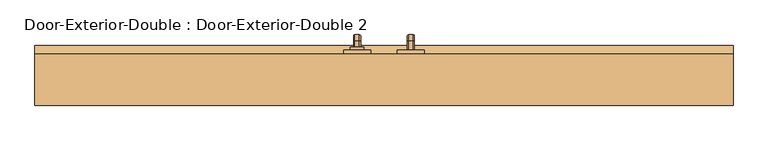
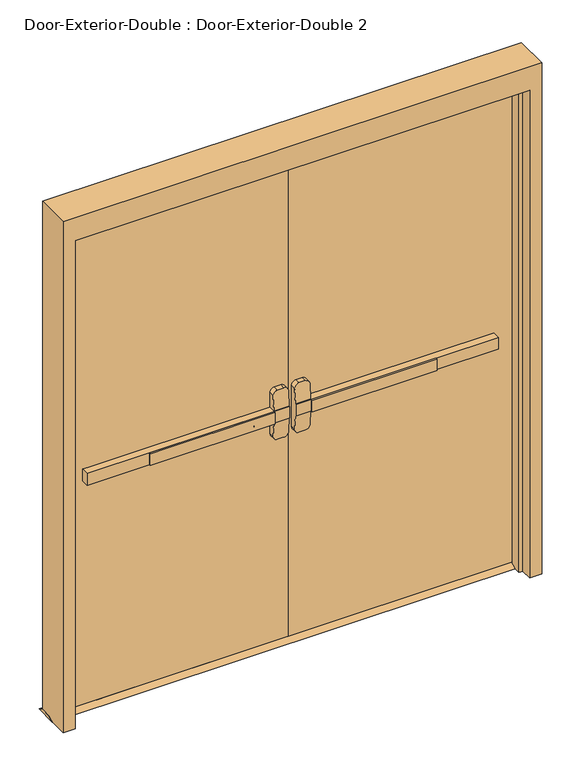
"""IFC4 building model written with IfcOpenShell, lengths in millimetres: door geometry, Door-Exterior-Double : Door-Exterior-Double 2."""

from ifc_helpers import new_model, si_unit, point, frame, frame_2d, origin, place, context, project, spatial, polyline, circle_curve, ellipse_curve, trimmed, segment, composite_curve, outline, extrude, faceted_brep, source, transform, mapped, element, save
from ifc_brep_helpers import plane_surface, cylinder_surface, revolved_surface, advanced_brep


def door_exterior_double_door_exterior_double_2_551420f2(model_context):
    return source(origin(), model_context, "Body", "SolidModel", [
        extrude(outline(polyline([(-592.6666667, 91.4003125), (-592.6666667, 97.7503125), (-76.2, 97.7503125), (-76.2, 91.4003125), (-592.6666667, 91.4003125)])), frame((0.0, 0.0, 990.6), z_axis=(0.0, 0.0, 1.0), x_axis=(1.0, 0.0, 0.0)), (0.0, 0.0, 1.0), 50.8),
        advanced_brep(
        [(-12.7, 97.7503125, 1041.4), (-76.2, 97.7503125, 1041.4), (-850.9, 97.7503125, 1041.4), (-850.9, 97.7503125, 990.6), (-76.2, 97.7503125, 990.6), (-12.7, 97.7503125, 990.6), (-850.9, 129.5003125, 1041.4), (-76.2, 129.5003125, 1041.4), (-76.2, 129.5003125, 1104.9), (-57.15, 129.5003125, 1123.95), (-31.75, 129.5003125, 1123.95), (-12.7, 129.5003125, 1104.9), (-12.7, 129.5003125, 927.1), (-31.75, 129.5003125, 908.05), (-57.15, 129.5003125, 908.05), (-76.2, 129.5003125, 927.1), (-76.2, 129.5003125, 990.6), (-850.9, 129.5003125, 990.6), (-12.7, 100.9255592, 1041.4), (-76.2, 100.9255592, 1041.4), (-12.7, 100.9255592, 990.6), (-12.7, 105.9357394, 927.1), (-12.7, 105.9357394, 1104.9), (-76.2, 100.9255592, 990.6), (-76.2, 105.9357394, 1104.9), (-76.2, 105.9357394, 927.1), (-57.15, 107.4387935, 1123.95), (-31.75, 107.4387935, 1123.95), (-31.75, 107.4387935, 908.05), (-57.15, 107.4387935, 908.05)],
        [
            (0, 1),
            (1, 2),
            (2, 3),
            (3, 4),
            (4, 5),
            (5, 0),
            (6, 7),
            (7, 8),
            (8, 9, circle_curve(frame((-57.15, 129.5003125, 1104.9), z_axis=(0.0, 1.0, 0.0), x_axis=(-1.0, 0.0, 0.0)), 19.05)),
            (9, 10),
            (10, 11, circle_curve(frame((-31.75, 129.5003125, 1104.9), z_axis=(0.0, 1.0, 0.0), x_axis=(-1.0, 0.0, 0.0)), 19.05)),
            (11, 12),
            (12, 13, circle_curve(frame((-31.75, 129.5003125, 927.1), z_axis=(0.0, 1.0, 0.0), x_axis=(-1.0, 0.0, 0.0)), 19.05)),
            (13, 14),
            (14, 15, circle_curve(frame((-57.15, 129.5003125, 927.1), z_axis=(0.0, 1.0, 0.0), x_axis=(-1.0, 0.0, 0.0)), 19.05)),
            (15, 16),
            (16, 17),
            (17, 6),
            (0, 18),
            (18, 19),
            (19, 7),
            (6, 2),
            (5, 20),
            (20, 21),
            (21, 12),
            (11, 22),
            (22, 18),
            (16, 23),
            (23, 20),
            (3, 17),
            (19, 24),
            (24, 8),
            (15, 25),
            (25, 23),
            (9, 26),
            (26, 27),
            (27, 10),
            (13, 28),
            (28, 29),
            (29, 14),
            (29, 25, ellipse_curve(frame((-57.15, 105.9357394, 927.1), z_axis=(0.0, 0.9969018152893365, 0.07865602756830282), x_axis=(0.0, -0.07865602756830208, 0.9969018152893365)), 19.1092038, 19.05)),
            (24, 26, ellipse_curve(frame((-57.15, 105.9357394, 1104.9), z_axis=(0.0, 0.9969018152893376, -0.07865602756828934), x_axis=(0.0, -0.078656027568288, -0.9969018152893377)), 19.1092038, 19.05)),
            (27, 22, ellipse_curve(frame((-31.75, 105.9357394, 1104.9), z_axis=(0.0, 0.9969018152893376, -0.07865602756828934), x_axis=(0.0, -0.078656027568288, -0.9969018152893377)), 19.1092038, 19.05)),
            (21, 28, ellipse_curve(frame((-31.75, 105.9357394, 927.1), z_axis=(0.0, 0.9969018152893365, 0.07865602756830282), x_axis=(0.0, -0.07865602756830208, 0.9969018152893365)), 19.1092038, 19.05)),
        ],
        [
            plane_surface(frame((-12.7, 97.7503125, 1041.4), z_axis=(0.0, -1.0, 0.0), x_axis=(1.0, 0.0, 0.0))),
            plane_surface(frame((-12.7, 129.5003125, 1041.4), z_axis=(0.0, 1.0, 0.0), x_axis=(-1.0, 0.0, 0.0))),
            plane_surface(frame((-850.9, 97.7503125, 1041.4), z_axis=(0.0, 0.0, 1.0), x_axis=(0.0, 1.0, 0.0))),
            plane_surface(frame((-12.7, 97.7503125, 1041.4), z_axis=(1.0, 0.0, 0.0), x_axis=(0.0, 1.0, 0.0))),
            plane_surface(frame((-12.7, 97.7503125, 990.6), z_axis=(0.0, 0.0, -1.0), x_axis=(0.0, 1.0, 0.0))),
            plane_surface(frame((-850.9, 97.7503125, 990.6), z_axis=(-1.0, 0.0, 0.0), x_axis=(0.0, 1.0, 0.0))),
            plane_surface(frame((-76.2, 100.9255592, 927.1), z_axis=(-1.0, 0.0, 0.0), x_axis=(0.0, 1.0, 0.0))),
            plane_surface(frame((-57.15, 100.9255592, 1123.95), z_axis=(0.0, 0.0, 1.0), x_axis=(0.0, 1.0, 0.0))),
            plane_surface(frame((-31.75, 100.9255592, 908.05), z_axis=(0.0, 0.0, -1.0), x_axis=(0.0, 1.0, 0.0))),
            cylinder_surface(frame((-57.15, 129.5003125, 927.1), z_axis=(0.0, -1.0, 0.0), x_axis=(-1.0, 0.0, 0.0)), 19.05),
            cylinder_surface(frame((-57.15, 129.5003125, 1104.9), z_axis=(0.0, -1.0, 0.0), x_axis=(-1.0, 0.0, 0.0)), 19.05),
            cylinder_surface(frame((-31.75, 129.5003125, 1104.9), z_axis=(0.0, -1.0, 0.0), x_axis=(-1.0, 0.0, 0.0)), 19.05),
            cylinder_surface(frame((-31.75, 129.5003125, 927.1), z_axis=(0.0, -1.0, 0.0), x_axis=(-1.0, 0.0, 0.0)), 19.05),
            plane_surface(frame((-76.2, 100.9255592, 1041.4), z_axis=(0.0, -0.9969018152893376, 0.07865602756828934), x_axis=(1.0, 0.0, 0.0))),
            plane_surface(frame((-76.2, 107.4387935, 908.05), z_axis=(0.0, -0.9969018152893365, -0.07865602756830282), x_axis=(1.0, 0.0, 0.0))),
        ],
        [
            (0, [[1, 2, 3, 4, 5, 6]]),
            (1, [[7, 8, 9, 10, 11, 12, 13, 14, 15, 16, 17, 18]]),
            (2, [[-2, -1, 19, 20, 21, -7, 22]]),
            (3, [[23, 24, 25, -12, 26, 27, -19, -6]]),
            (4, [[-17, 28, 29, -23, -5, -4, 30]]),
            (5, [[-22, -18, -30, -3]]),
            (6, [[-21, 31, 32, -8]]),
            (6, [[33, 34, -28, -16]]),
            (7, [[35, 36, 37, -10]]),
            (8, [[38, 39, 40, -14]]),
            (9, [[-40, 41, -33, -15]]),
            (10, [[-32, 42, -35, -9]]),
            (11, [[-37, 43, -26, -11]]),
            (12, [[-25, 44, -38, -13]]),
            (13, [[-27, -43, -36, -42, -31, -20]]),
            (14, [[-29, -34, -41, -39, -44, -24]]),
        ],
    ),
        extrude(outline(polyline([(173.9503125, 12.7), (199.3503125, 0.0), (104.1003125, 0.0), (129.5003125, 12.7), (173.9503125, 12.7)])), frame((-990.6, 0.0, 0.0), z_axis=(1.0, 0.0, 0.0), x_axis=(0.0, 1.0, 0.0)), (0.0, 0.0, 1.0), 1981.2),
        extrude(outline(polyline([(592.6666667, 91.4003125), (76.2, 91.4003125), (76.2, 97.7503125), (592.6666667, 97.7503125), (592.6666667, 91.4003125)])), frame((0.0, 0.0, 990.6), z_axis=(0.0, 0.0, 1.0), x_axis=(1.0, 0.0, 0.0)), (0.0, 0.0, 1.0), 50.8),
        advanced_brep(
        [(12.7, 97.7503125, 1041.4), (12.7, 97.7503125, 990.6), (76.2, 97.7503125, 990.6), (850.9, 97.7503125, 990.6), (850.9, 97.7503125, 1041.4), (76.2, 97.7503125, 1041.4), (850.9, 129.5003125, 1041.4), (850.9, 129.5003125, 990.6), (76.2, 129.5003125, 990.6), (76.2, 129.5003125, 927.1), (57.15, 129.5003125, 908.05), (31.75, 129.5003125, 908.05), (12.7, 129.5003125, 927.1), (12.7, 129.5003125, 1104.9), (31.75, 129.5003125, 1123.95), (57.15, 129.5003125, 1123.95), (76.2, 129.5003125, 1104.9), (76.2, 129.5003125, 1041.4), (76.2, 100.9255592, 1041.4), (12.7, 100.9255592, 1041.4), (12.7, 105.9357394, 1104.9), (12.7, 105.9357394, 927.1), (12.7, 100.9255592, 990.6), (76.2, 100.9255592, 990.6), (76.2, 105.9357394, 927.1), (76.2, 105.9357394, 1104.9), (31.75, 107.4387935, 1123.95), (57.15, 107.4387935, 1123.95), (57.15, 107.4387935, 908.05), (31.75, 107.4387935, 908.05)],
        [
            (0, 1),
            (1, 2),
            (2, 3),
            (3, 4),
            (4, 5),
            (5, 0),
            (6, 7),
            (7, 8),
            (8, 9),
            (9, 10, circle_curve(frame((57.15, 129.5003125, 927.1), z_axis=(0.0, 1.0, 0.0), x_axis=(1.0, 0.0, 0.0)), 19.05)),
            (10, 11),
            (11, 12, circle_curve(frame((31.75, 129.5003125, 927.1), z_axis=(0.0, 1.0, 0.0), x_axis=(1.0, 0.0, 0.0)), 19.05)),
            (12, 13),
            (13, 14, circle_curve(frame((31.75, 129.5003125, 1104.9), z_axis=(0.0, 1.0, 0.0), x_axis=(1.0, 0.0, 0.0)), 19.05)),
            (14, 15),
            (15, 16, circle_curve(frame((57.15, 129.5003125, 1104.9), z_axis=(0.0, 1.0, 0.0), x_axis=(1.0, 0.0, 0.0)), 19.05)),
            (16, 17),
            (17, 6),
            (4, 6),
            (17, 18),
            (18, 19),
            (19, 0),
            (19, 20),
            (20, 13),
            (12, 21),
            (21, 22),
            (22, 1),
            (7, 3),
            (22, 23),
            (23, 8),
            (23, 24),
            (24, 9),
            (16, 25),
            (25, 18),
            (14, 26),
            (26, 27),
            (27, 15),
            (10, 28),
            (28, 29),
            (29, 11),
            (24, 28, ellipse_curve(frame((57.15, 105.9357394, 927.1), z_axis=(0.0, 0.9969018152893365, 0.07865602756830282), x_axis=(0.0, -0.07865602756830208, 0.9969018152893365)), 19.1092038, 19.05)),
            (27, 25, ellipse_curve(frame((57.15, 105.9357394, 1104.9), z_axis=(0.0, 0.9969018152893376, -0.07865602756828934), x_axis=(0.0, -0.078656027568288, -0.9969018152893377)), 19.1092038, 19.05)),
            (20, 26, ellipse_curve(frame((31.75, 105.9357394, 1104.9), z_axis=(0.0, 0.9969018152893376, -0.07865602756828934), x_axis=(0.0, -0.078656027568288, -0.9969018152893377)), 19.1092038, 19.05)),
            (29, 21, ellipse_curve(frame((31.75, 105.9357394, 927.1), z_axis=(0.0, 0.9969018152893365, 0.07865602756830282), x_axis=(0.0, -0.07865602756830208, 0.9969018152893365)), 19.1092038, 19.05)),
        ],
        [
            plane_surface(frame((12.7, 97.7503125, 1041.4), z_axis=(0.0, -1.0, 0.0), x_axis=(-1.0, 0.0, 0.0))),
            plane_surface(frame((12.7, 129.5003125, 1041.4), z_axis=(0.0, 1.0, 0.0), x_axis=(1.0, 0.0, 0.0))),
            plane_surface(frame((850.9, 97.7503125, 1041.4), z_axis=(0.0, 0.0, 1.0), x_axis=(0.0, 1.0, 0.0))),
            plane_surface(frame((12.7, 97.7503125, 1041.4), z_axis=(-1.0, 0.0, 0.0), x_axis=(0.0, 1.0, 0.0))),
            plane_surface(frame((12.7, 97.7503125, 990.6), z_axis=(0.0, 0.0, -1.0), x_axis=(0.0, 1.0, 0.0))),
            plane_surface(frame((850.9, 97.7503125, 990.6), z_axis=(1.0, 0.0, 0.0), x_axis=(0.0, 1.0, 0.0))),
            plane_surface(frame((76.2, 100.9255592, 927.1), z_axis=(1.0, 0.0, 0.0), x_axis=(0.0, 1.0, 0.0))),
            plane_surface(frame((57.15, 100.9255592, 1123.95), z_axis=(0.0, 0.0, 1.0), x_axis=(0.0, 1.0, 0.0))),
            plane_surface(frame((31.75, 100.9255592, 908.05), z_axis=(0.0, 0.0, -1.0), x_axis=(0.0, 1.0, 0.0))),
            cylinder_surface(frame((57.15, 129.5003125, 927.1), z_axis=(0.0, -1.0, 0.0), x_axis=(1.0, 0.0, 0.0)), 19.05),
            cylinder_surface(frame((57.15, 129.5003125, 1104.9), z_axis=(0.0, -1.0, 0.0), x_axis=(1.0, 0.0, 0.0)), 19.05),
            cylinder_surface(frame((31.75, 129.5003125, 1104.9), z_axis=(0.0, -1.0, 0.0), x_axis=(1.0, 0.0, 0.0)), 19.05),
            cylinder_surface(frame((31.75, 129.5003125, 927.1), z_axis=(0.0, -1.0, 0.0), x_axis=(1.0, 0.0, 0.0)), 19.05),
            plane_surface(frame((76.2, 100.9255592, 1041.4), z_axis=(0.0, -0.9969018152893376, 0.07865602756828934), x_axis=(-1.0, 0.0, 0.0))),
            plane_surface(frame((76.2, 107.4387935, 908.05), z_axis=(0.0, -0.9969018152893365, -0.07865602756830282), x_axis=(-1.0, 0.0, 0.0))),
        ],
        [
            (0, [[1, 2, 3, 4, 5, 6]]),
            (1, [[7, 8, 9, 10, 11, 12, 13, 14, 15, 16, 17, 18]]),
            (2, [[19, -18, 20, 21, 22, -6, -5]]),
            (3, [[-1, -22, 23, 24, -13, 25, 26, 27]]),
            (4, [[28, -3, -2, -27, 29, 30, -8]]),
            (5, [[-4, -28, -7, -19]]),
            (6, [[-9, -30, 31, 32]]),
            (6, [[-17, 33, 34, -20]]),
            (7, [[-15, 35, 36, 37]]),
            (8, [[-11, 38, 39, 40]]),
            (9, [[-10, -32, 41, -38]]),
            (10, [[-16, -37, 42, -33]]),
            (11, [[-14, -24, 43, -35]]),
            (12, [[-12, -40, 44, -25]]),
            (13, [[-21, -34, -42, -36, -43, -23]]),
            (14, [[-26, -44, -39, -41, -31, -29]]),
        ],
    ),
        advanced_brep(
        [(66.2, 186.6503125, 1017.190625), (66.2, 186.6503125, 1014.809375), (69.771875, 186.6503125, 1011.2375), (82.6284594, 186.6503125, 1011.2375), (86.2, 186.6503125, 1014.8090406), (86.2, 186.6503125, 1017.190625), (82.628125, 186.6503125, 1020.7625), (69.771875, 186.6503125, 1020.7625), (66.2, 186.6503125, 887.809375), (69.771875, 186.6503125, 884.2375), (82.628125, 186.6503125, 884.2375), (86.2, 186.6503125, 887.809375), (86.2, 186.6503125, 890.1909594), (82.6284594, 186.6503125, 893.7625), (69.771875, 186.6503125, 893.7625), (66.2, 186.6503125, 890.190625), (66.2, 212.0503125, 1017.190625), (66.2, 225.9409375, 1003.3), (66.2, 225.9409375, 901.7), (66.2, 212.0503125, 887.809375), (66.2, 212.0503125, 890.190625), (66.2, 223.5596875, 901.7), (66.2, 223.5596875, 1003.3), (66.2, 212.0503125, 1014.809375), (69.771875, 212.0503125, 1011.2375), (82.6284594, 212.0503125, 1011.2375), (86.2, 212.0503125, 1014.8090406), (86.2, 223.5593531, 1003.3), (86.2, 223.5593531, 901.7), (86.2, 212.0503125, 890.1909594), (86.2, 212.0503125, 887.809375), (86.2, 225.9409375, 901.7), (86.2, 225.9409375, 1003.3), (86.2, 212.0503125, 1017.190625), (82.628125, 212.0503125, 1020.7625), (69.771875, 212.0503125, 1020.7625), (69.771875, 219.9878125, 1003.3), (82.6284594, 219.9878125, 1003.3), (82.628125, 229.5128125, 1003.3), (69.771875, 229.5128125, 1003.3), (69.771875, 219.9878125, 901.7), (82.6284594, 219.9878125, 901.7), (82.628125, 229.5128125, 901.7), (69.771875, 229.5128125, 901.7), (69.771875, 212.0503125, 893.7625), (82.6284594, 212.0503125, 893.7625), (82.628125, 212.0503125, 884.2375), (69.771875, 212.0503125, 884.2375)],
        [
            (0, 1),
            (1, 2, circle_curve(frame((69.771875, 186.6503125, 1014.809375), z_axis=(0.0, -1.0, 0.0), x_axis=(0.0, 0.0, 1.0)), 3.571875)),
            (2, 3),
            (3, 4, circle_curve(frame((82.6284594, 186.6503125, 1014.8090406), z_axis=(0.0, -1.0, 0.0), x_axis=(0.0, 0.0, 1.0)), 3.5715406)),
            (4, 5),
            (5, 6, circle_curve(frame((82.628125, 186.6503125, 1017.190625), z_axis=(0.0, -1.0, 0.0), x_axis=(0.0, 0.0, 1.0)), 3.571875)),
            (6, 7),
            (7, 0, circle_curve(frame((69.771875, 186.6503125, 1017.190625), z_axis=(0.0, -1.0, 0.0), x_axis=(0.0, 0.0, 1.0)), 3.571875)),
            (8, 9, circle_curve(frame((69.771875, 186.6503125, 887.809375), z_axis=(0.0, -1.0, 0.0), x_axis=(0.0, 0.0, -1.0)), 3.571875)),
            (9, 10),
            (10, 11, circle_curve(frame((82.628125, 186.6503125, 887.809375), z_axis=(0.0, -1.0, 0.0), x_axis=(0.0, 0.0, -1.0)), 3.571875)),
            (11, 12),
            (12, 13, circle_curve(frame((82.6284594, 186.6503125, 890.1909594), z_axis=(0.0, -1.0, 0.0), x_axis=(0.0, 0.0, -1.0)), 3.5715406)),
            (13, 14),
            (14, 15, circle_curve(frame((69.771875, 186.6503125, 890.190625), z_axis=(0.0, -1.0, 0.0), x_axis=(0.0, 0.0, -1.0)), 3.571875)),
            (15, 8),
            (0, 16),
            (16, 17, circle_curve(frame((66.2, 212.0503125, 1003.3), z_axis=(-1.0, 0.0, 0.0), x_axis=(0.0, 0.0, 1.0)), 13.890625)),
            (17, 18),
            (18, 19, circle_curve(frame((66.2, 212.0503125, 901.7), z_axis=(-1.0, 0.0, 0.0), x_axis=(0.0, 1.0, 0.0)), 13.890625)),
            (19, 8),
            (15, 20),
            (20, 21, circle_curve(frame((66.2, 212.0503125, 901.7), z_axis=(1.0, 0.0, 0.0), x_axis=(0.0, 1.0, 0.0)), 11.509375)),
            (21, 22),
            (22, 23, circle_curve(frame((66.2, 212.0503125, 1003.3), z_axis=(1.0, 0.0, 0.0), x_axis=(0.0, 0.0, 1.0)), 11.509375)),
            (23, 1),
            (23, 24, circle_curve(frame((69.771875, 212.0503125, 1014.809375), z_axis=(0.0, -1.0, 0.0), x_axis=(0.0, 0.0, 1.0)), 3.571875)),
            (24, 2),
            (24, 25),
            (25, 3),
            (25, 26, circle_curve(frame((82.6284594, 212.0503125, 1014.8090406), z_axis=(0.0, -1.0, 0.0), x_axis=(0.0, 0.0, 1.0)), 3.5715406)),
            (26, 4),
            (26, 27, circle_curve(frame((86.2, 212.0503125, 1003.3), z_axis=(-1.0, 0.0, 0.0), x_axis=(0.0, 0.0, 1.0)), 11.5090406)),
            (27, 28),
            (28, 29, circle_curve(frame((86.2, 212.0503125, 901.7), z_axis=(-1.0, 0.0, 0.0), x_axis=(0.0, 1.0, 0.0)), 11.5090406)),
            (29, 12),
            (11, 30),
            (30, 31, circle_curve(frame((86.2, 212.0503125, 901.7), z_axis=(1.0, 0.0, 0.0), x_axis=(0.0, 1.0, 0.0)), 13.890625)),
            (31, 32),
            (32, 33, circle_curve(frame((86.2, 212.0503125, 1003.3), z_axis=(1.0, 0.0, 0.0), x_axis=(0.0, 0.0, 1.0)), 13.890625)),
            (33, 5),
            (33, 34, circle_curve(frame((82.628125, 212.0503125, 1017.190625), z_axis=(0.0, -1.0, 0.0), x_axis=(0.0, 0.0, 1.0)), 3.571875)),
            (34, 6),
            (34, 35),
            (35, 7),
            (35, 16, circle_curve(frame((69.771875, 212.0503125, 1017.190625), z_axis=(0.0, -1.0, 0.0), x_axis=(0.0, 0.0, 1.0)), 3.571875)),
            (36, 24, circle_curve(frame((69.771875, 212.0503125, 1003.3), z_axis=(1.0, 0.0, 0.0), x_axis=(0.0, 0.0, 1.0)), 7.9375)),
            (22, 36, circle_curve(frame((69.771875, 223.5596875, 1003.3), z_axis=(0.0, 0.0, 1.0), x_axis=(0.0, 1.0, 0.0)), 3.571875)),
            (37, 25, circle_curve(frame((82.6284594, 212.0503125, 1003.3), z_axis=(1.0, 0.0, 0.0), x_axis=(0.0, 0.0, 1.0)), 7.9375)),
            (36, 37),
            (37, 27, circle_curve(frame((82.6284594, 223.5593531, 1003.3), z_axis=(0.0, 0.0, 1.0), x_axis=(0.0, 1.0, 0.0)), 3.5715406)),
            (38, 34, circle_curve(frame((82.628125, 212.0503125, 1003.3), z_axis=(1.0, 0.0, 0.0), x_axis=(0.0, 0.0, 1.0)), 17.4625)),
            (32, 38, circle_curve(frame((82.628125, 225.9409375, 1003.3), z_axis=(0.0, 0.0, 1.0), x_axis=(0.0, 1.0, 0.0)), 3.571875)),
            (39, 35, circle_curve(frame((69.771875, 212.0503125, 1003.3), z_axis=(1.0, 0.0, 0.0), x_axis=(0.0, 0.0, 1.0)), 17.4625)),
            (38, 39),
            (39, 17, circle_curve(frame((69.771875, 225.9409375, 1003.3), z_axis=(0.0, 0.0, 1.0), x_axis=(0.0, 1.0, 0.0)), 3.571875)),
            (21, 40, circle_curve(frame((69.771875, 223.5596875, 901.7), z_axis=(0.0, 0.0, 1.0), x_axis=(0.0, 1.0, 0.0)), 3.571875)),
            (40, 36),
            (40, 41),
            (41, 37),
            (41, 28, circle_curve(frame((82.6284594, 223.5593531, 901.7), z_axis=(0.0, 0.0, 1.0), x_axis=(0.0, 1.0, 0.0)), 3.5715406)),
            (31, 42, circle_curve(frame((82.628125, 225.9409375, 901.7), z_axis=(0.0, 0.0, 1.0), x_axis=(0.0, 1.0, 0.0)), 3.571875)),
            (42, 38),
            (42, 43),
            (43, 39),
            (43, 18, circle_curve(frame((69.771875, 225.9409375, 901.7), z_axis=(0.0, 0.0, 1.0), x_axis=(0.0, 1.0, 0.0)), 3.571875)),
            (44, 40, circle_curve(frame((69.771875, 212.0503125, 901.7), z_axis=(1.0, 0.0, 0.0), x_axis=(0.0, 1.0, 0.0)), 7.9375)),
            (20, 44, circle_curve(frame((69.771875, 212.0503125, 890.190625), z_axis=(0.0, 1.0, 0.0), x_axis=(0.0, 0.0, -1.0)), 3.571875)),
            (45, 41, circle_curve(frame((82.6284594, 212.0503125, 901.7), z_axis=(1.0, 0.0, 0.0), x_axis=(0.0, 1.0, 0.0)), 7.9375)),
            (44, 45),
            (45, 29, circle_curve(frame((82.6284594, 212.0503125, 890.1909594), z_axis=(0.0, 1.0, 0.0), x_axis=(0.0, 0.0, -1.0)), 3.5715406)),
            (46, 42, circle_curve(frame((82.628125, 212.0503125, 901.7), z_axis=(1.0, 0.0, 0.0), x_axis=(0.0, 1.0, 0.0)), 17.4625)),
            (30, 46, circle_curve(frame((82.628125, 212.0503125, 887.809375), z_axis=(0.0, 1.0, 0.0), x_axis=(0.0, 0.0, -1.0)), 3.571875)),
            (47, 43, circle_curve(frame((69.771875, 212.0503125, 901.7), z_axis=(1.0, 0.0, 0.0), x_axis=(0.0, 1.0, 0.0)), 17.4625)),
            (46, 47),
            (47, 19, circle_curve(frame((69.771875, 212.0503125, 887.809375), z_axis=(0.0, 1.0, 0.0), x_axis=(0.0, 0.0, -1.0)), 3.571875)),
            (14, 44),
            (13, 45),
            (10, 46),
            (9, 47),
        ],
        [
            plane_surface(frame((76.2, 186.6503125, 1016.0), z_axis=(0.0, -1.0, 0.0), x_axis=(1.0, 0.0, 0.0))),
            plane_surface(frame((76.2, 186.6503125, 889.0), z_axis=(0.0, -1.0, 0.0), x_axis=(1.0, 0.0, 0.0))),
            plane_surface(frame((66.2, 186.6503125, 1017.190625), z_axis=(-1.0, 0.0, 0.0), x_axis=(0.0, 1.0, 0.0))),
            cylinder_surface(frame((69.771875, 186.6503125, 1014.809375), z_axis=(0.0, -1.0, 0.0), x_axis=(0.0, 0.0, 1.0)), 3.571875),
            plane_surface(frame((69.771875, 186.6503125, 1011.2375), z_axis=(0.0, 0.0, -1.0), x_axis=(0.0, 1.0, 0.0))),
            cylinder_surface(frame((82.6284594, 186.6503125, 1014.8090406), z_axis=(0.0, -1.0, 0.0), x_axis=(0.0, 0.0, 1.0)), 3.5715406),
            plane_surface(frame((86.2, 186.6503125, 1014.8090406), z_axis=(1.0, 0.0, 0.0), x_axis=(0.0, 1.0, 0.0))),
            cylinder_surface(frame((82.628125, 186.6503125, 1017.190625), z_axis=(0.0, -1.0, 0.0), x_axis=(0.0, 0.0, 1.0)), 3.571875),
            plane_surface(frame((82.628125, 186.6503125, 1020.7625), z_axis=(0.0, 0.0, 1.0), x_axis=(0.0, 1.0, 0.0))),
            cylinder_surface(frame((69.771875, 186.6503125, 1017.190625), z_axis=(0.0, -1.0, 0.0), x_axis=(0.0, 0.0, 1.0)), 3.571875),
            revolved_surface(trimmed(ellipse_curve(frame((69.771875, 212.0503125, 1014.809375), z_axis=(0.0, -1.0, 0.0), x_axis=(0.0, 0.0, 1.0)), 3.571875, 3.571875), [point((66.2, 212.0503125, 1014.809375))], [point((69.771875, 212.0503125, 1011.2375))], True, "CARTESIAN"), (76.2, 212.0503125, 1003.3), (-1.0, 0.0, 0.0)),
            revolved_surface(polyline([(69.771875, 212.0503125, 1011.2375), (82.6284594, 212.0503125, 1011.2375)]), (76.2, 212.0503125, 1003.3), (-1.0, 0.0, 0.0)),
            revolved_surface(trimmed(ellipse_curve(frame((82.6284594, 212.0503125, 1014.8090406), z_axis=(0.0, -1.0, 0.0), x_axis=(0.0, 0.0, 1.0)), 3.5715406, 3.5715406), [point((82.6284594, 212.0503125, 1011.2375))], [point((86.2, 212.0503125, 1014.8090406))], True, "CARTESIAN"), (76.2, 212.0503125, 1003.3), (-1.0, 0.0, 0.0)),
            revolved_surface(trimmed(ellipse_curve(frame((82.628125, 212.0503125, 1017.190625), z_axis=(0.0, -1.0, 0.0), x_axis=(0.0, 0.0, 1.0)), 3.571875, 3.571875), [point((86.2, 212.0503125, 1017.190625))], [point((82.628125, 212.0503125, 1020.7625))], True, "CARTESIAN"), (76.2, 212.0503125, 1003.3), (-1.0, 0.0, 0.0)),
            cylinder_surface(frame((76.2, 212.0503125, 1003.3), z_axis=(-1.0, 0.0, 0.0), x_axis=(0.0, 0.0, 1.0)), 17.4625),
            revolved_surface(trimmed(ellipse_curve(frame((69.771875, 212.0503125, 1017.190625), z_axis=(0.0, -1.0, 0.0), x_axis=(0.0, 0.0, 1.0)), 3.571875, 3.571875), [point((69.771875, 212.0503125, 1020.7625))], [point((66.2, 212.0503125, 1017.190625))], True, "CARTESIAN"), (76.2, 212.0503125, 1003.3), (-1.0, 0.0, 0.0)),
            cylinder_surface(frame((69.771875, 223.5596875, 1003.3), z_axis=(0.0, 0.0, 1.0), x_axis=(0.0, 1.0, 0.0)), 3.571875),
            plane_surface(frame((69.771875, 219.9878125, 1003.3), z_axis=(0.0, -1.0, 0.0), x_axis=(0.0, 0.0, -1.0))),
            cylinder_surface(frame((82.6284594, 223.5593531, 1003.3), z_axis=(0.0, 0.0, 1.0), x_axis=(0.0, 1.0, 0.0)), 3.5715406),
            cylinder_surface(frame((82.628125, 225.9409375, 1003.3), z_axis=(0.0, 0.0, 1.0), x_axis=(0.0, 1.0, 0.0)), 3.571875),
            plane_surface(frame((82.628125, 229.5128125, 1003.3), z_axis=(0.0, 1.0, 0.0), x_axis=(0.0, 0.0, -1.0))),
            cylinder_surface(frame((69.771875, 225.9409375, 1003.3), z_axis=(0.0, 0.0, 1.0), x_axis=(0.0, 1.0, 0.0)), 3.571875),
            revolved_surface(trimmed(ellipse_curve(frame((69.771875, 223.5596875, 901.7), z_axis=(0.0, 0.0, 1.0), x_axis=(0.0, 1.0, 0.0)), 3.571875, 3.571875), [point((66.2, 223.5596875, 901.7))], [point((69.771875, 219.9878125, 901.7))], True, "CARTESIAN"), (76.2, 212.0503125, 901.7), (-1.0, 0.0, 0.0)),
            revolved_surface(polyline([(69.771875, 219.9878125, 901.7), (82.6284594, 219.9878125, 901.7)]), (76.2, 212.0503125, 901.7), (-1.0, 0.0, 0.0)),
            revolved_surface(trimmed(ellipse_curve(frame((82.6284594, 223.5593531, 901.7), z_axis=(0.0, 0.0, 1.0), x_axis=(0.0, 1.0, 0.0)), 3.5715406, 3.5715406), [point((82.6284594, 219.9878125, 901.7))], [point((86.2, 223.5593531, 901.7))], True, "CARTESIAN"), (76.2, 212.0503125, 901.7), (-1.0, 0.0, 0.0)),
            revolved_surface(trimmed(ellipse_curve(frame((82.628125, 225.9409375, 901.7), z_axis=(0.0, 0.0, 1.0), x_axis=(0.0, 1.0, 0.0)), 3.571875, 3.571875), [point((86.2, 225.9409375, 901.7))], [point((82.628125, 229.5128125, 901.7))], True, "CARTESIAN"), (76.2, 212.0503125, 901.7), (-1.0, 0.0, 0.0)),
            cylinder_surface(frame((76.2, 212.0503125, 901.7), z_axis=(-1.0, 0.0, 0.0), x_axis=(0.0, 1.0, 0.0)), 17.4625),
            revolved_surface(trimmed(ellipse_curve(frame((69.771875, 225.9409375, 901.7), z_axis=(0.0, 0.0, 1.0), x_axis=(0.0, 1.0, 0.0)), 3.571875, 3.571875), [point((69.771875, 229.5128125, 901.7))], [point((66.2, 225.9409375, 901.7))], True, "CARTESIAN"), (76.2, 212.0503125, 901.7), (-1.0, 0.0, 0.0)),
            cylinder_surface(frame((69.771875, 212.0503125, 890.190625), z_axis=(0.0, 1.0, 0.0), x_axis=(0.0, 0.0, -1.0)), 3.571875),
            plane_surface(frame((69.771875, 212.0503125, 893.7625), z_axis=(0.0, 0.0, 1.0), x_axis=(0.0, -1.0, 0.0))),
            cylinder_surface(frame((82.6284594, 212.0503125, 890.1909594), z_axis=(0.0, 1.0, 0.0), x_axis=(0.0, 0.0, -1.0)), 3.5715406),
            cylinder_surface(frame((82.628125, 212.0503125, 887.809375), z_axis=(0.0, 1.0, 0.0), x_axis=(0.0, 0.0, -1.0)), 3.571875),
            plane_surface(frame((82.628125, 212.0503125, 884.2375), z_axis=(0.0, 0.0, -1.0), x_axis=(0.0, -1.0, 0.0))),
            cylinder_surface(frame((69.771875, 212.0503125, 887.809375), z_axis=(0.0, 1.0, 0.0), x_axis=(0.0, 0.0, -1.0)), 3.571875),
        ],
        [
            (0, [[1, 2, 3, 4, 5, 6, 7, 8]]),
            (1, [[9, 10, 11, 12, 13, 14, 15, 16]]),
            (2, [[-1, 17, 18, 19, 20, 21, -16, 22, 23, 24, 25, 26]]),
            (3, [[-2, -26, 27, 28]]),
            (4, [[-3, -28, 29, 30]]),
            (5, [[-4, -30, 31, 32]]),
            (6, [[-5, -32, 33, 34, 35, 36, -12, 37, 38, 39, 40, 41]]),
            (7, [[-6, -41, 42, 43]]),
            (8, [[-7, -43, 44, 45]]),
            (9, [[-8, -45, 46, -17]]),
            (10, [[47, -27, -25, 48]]),
            (11, [[49, -29, -47, 50]]),
            (12, [[-33, -31, -49, 51]]),
            (13, [[52, -42, -40, 53]]),
            (14, [[54, -44, -52, 55]]),
            (15, [[-18, -46, -54, 56]]),
            (16, [[-48, -24, 57, 58]]),
            (17, [[-50, -58, 59, 60]]),
            (18, [[-51, -60, 61, -34]]),
            (19, [[-53, -39, 62, 63]]),
            (20, [[-55, -63, 64, 65]]),
            (21, [[-56, -65, 66, -19]]),
            (22, [[67, -57, -23, 68]]),
            (23, [[69, -59, -67, 70]]),
            (24, [[-35, -61, -69, 71]]),
            (25, [[72, -62, -38, 73]]),
            (26, [[74, -64, -72, 75]]),
            (27, [[-20, -66, -74, 76]]),
            (28, [[-68, -22, -15, 77]]),
            (29, [[-70, -77, -14, 78]]),
            (30, [[-71, -78, -13, -36]]),
            (31, [[-73, -37, -11, 79]]),
            (32, [[-75, -79, -10, 80]]),
            (33, [[-76, -80, -9, -21]]),
        ],
    ),
        extrude(outline(composite_curve([segment(trimmed(circle_curve(frame_2d((1113.0338574, 76.2)), 89.3016225), [point((1193.8, 114.3))], [point((1193.8, 38.1))], False, "CARTESIAN"), True, "CONTINUOUS"), segment(polyline([(1193.8, 38.1), (838.2, 38.1)]), True, "CONTINUOUS"), segment(trimmed(circle_curve(frame_2d((918.9661426, 76.2)), 89.3016225), [point((838.2, 38.1))], [point((838.2, 114.3))], False, "CARTESIAN"), True, "CONTINUOUS"), segment(polyline([(838.2, 114.3), (1193.8, 114.3)]), True, "CONTINUOUS")], self_intersect=False)), frame((0.0, 173.9503125, 0.0), z_axis=(0.0, 1.0, 0.0), x_axis=(0.0, 0.0, 1.0)), (0.0, 0.0, 1.0), 12.7),
        advanced_brep(
        [(-86.2, 186.6503125, 1017.190625), (-86.2, 186.6503125, 1014.809375), (-82.628125, 186.6503125, 1011.2375), (-69.7715406, 186.6503125, 1011.2375), (-66.2, 186.6503125, 1014.8090406), (-66.2, 186.6503125, 1017.190625), (-69.771875, 186.6503125, 1020.7625), (-82.628125, 186.6503125, 1020.7625), (-86.2, 186.6503125, 887.809375), (-82.628125, 186.6503125, 884.2375), (-69.771875, 186.6503125, 884.2375), (-66.2, 186.6503125, 887.809375), (-66.2, 186.6503125, 890.1909594), (-69.7715406, 186.6503125, 893.7625), (-82.628125, 186.6503125, 893.7625), (-86.2, 186.6503125, 890.190625), (-86.2, 212.0503125, 1017.190625), (-86.2, 225.9409375, 1003.3), (-86.2, 225.9409375, 901.7), (-86.2, 212.0503125, 887.809375), (-86.2, 212.0503125, 890.190625), (-86.2, 223.5596875, 901.7), (-86.2, 223.5596875, 1003.3), (-86.2, 212.0503125, 1014.809375), (-82.628125, 212.0503125, 1011.2375), (-69.7715406, 212.0503125, 1011.2375), (-66.2, 212.0503125, 1014.8090406), (-66.2, 223.5593531, 1003.3), (-66.2, 223.5593531, 901.7), (-66.2, 212.0503125, 890.1909594), (-66.2, 212.0503125, 887.809375), (-66.2, 225.9409375, 901.7), (-66.2, 225.9409375, 1003.3), (-66.2, 212.0503125, 1017.190625), (-69.771875, 212.0503125, 1020.7625), (-82.628125, 212.0503125, 1020.7625), (-82.628125, 219.9878125, 1003.3), (-69.7715406, 219.9878125, 1003.3), (-69.771875, 229.5128125, 1003.3), (-82.628125, 229.5128125, 1003.3), (-82.628125, 219.9878125, 901.7), (-69.7715406, 219.9878125, 901.7), (-69.771875, 229.5128125, 901.7), (-82.628125, 229.5128125, 901.7), (-82.628125, 212.0503125, 893.7625), (-69.7715406, 212.0503125, 893.7625), (-69.771875, 212.0503125, 884.2375), (-82.628125, 212.0503125, 884.2375)],
        [
            (0, 1),
            (1, 2, circle_curve(frame((-82.628125, 186.6503125, 1014.809375), z_axis=(0.0, -1.0, 0.0), x_axis=(0.0, 0.0, 1.0)), 3.571875)),
            (2, 3),
            (3, 4, circle_curve(frame((-69.7715406, 186.6503125, 1014.8090406), z_axis=(0.0, -1.0, 0.0), x_axis=(0.0, 0.0, 1.0)), 3.5715406)),
            (4, 5),
            (5, 6, circle_curve(frame((-69.771875, 186.6503125, 1017.190625), z_axis=(0.0, -1.0, 0.0), x_axis=(0.0, 0.0, 1.0)), 3.571875)),
            (6, 7),
            (7, 0, circle_curve(frame((-82.628125, 186.6503125, 1017.190625), z_axis=(0.0, -1.0, 0.0), x_axis=(0.0, 0.0, 1.0)), 3.571875)),
            (8, 9, circle_curve(frame((-82.628125, 186.6503125, 887.809375), z_axis=(0.0, -1.0, 0.0), x_axis=(0.0, 0.0, -1.0)), 3.571875)),
            (9, 10),
            (10, 11, circle_curve(frame((-69.771875, 186.6503125, 887.809375), z_axis=(0.0, -1.0, 0.0), x_axis=(0.0, 0.0, -1.0)), 3.571875)),
            (11, 12),
            (12, 13, circle_curve(frame((-69.7715406, 186.6503125, 890.1909594), z_axis=(0.0, -1.0, 0.0), x_axis=(0.0, 0.0, -1.0)), 3.5715406)),
            (13, 14),
            (14, 15, circle_curve(frame((-82.628125, 186.6503125, 890.190625), z_axis=(0.0, -1.0, 0.0), x_axis=(0.0, 0.0, -1.0)), 3.571875)),
            (15, 8),
            (0, 16),
            (16, 17, circle_curve(frame((-86.2, 212.0503125, 1003.3), z_axis=(-1.0, 0.0, 0.0), x_axis=(0.0, 0.0, 1.0)), 13.890625)),
            (17, 18),
            (18, 19, circle_curve(frame((-86.2, 212.0503125, 901.7), z_axis=(-1.0, 0.0, 0.0), x_axis=(0.0, 1.0, 0.0)), 13.890625)),
            (19, 8),
            (15, 20),
            (20, 21, circle_curve(frame((-86.2, 212.0503125, 901.7), z_axis=(1.0, 0.0, 0.0), x_axis=(0.0, 1.0, 0.0)), 11.509375)),
            (21, 22),
            (22, 23, circle_curve(frame((-86.2, 212.0503125, 1003.3), z_axis=(1.0, 0.0, 0.0), x_axis=(0.0, 0.0, 1.0)), 11.509375)),
            (23, 1),
            (23, 24, circle_curve(frame((-82.628125, 212.0503125, 1014.809375), z_axis=(0.0, -1.0, 0.0), x_axis=(0.0, 0.0, 1.0)), 3.571875)),
            (24, 2),
            (24, 25),
            (25, 3),
            (25, 26, circle_curve(frame((-69.7715406, 212.0503125, 1014.8090406), z_axis=(0.0, -1.0, 0.0), x_axis=(0.0, 0.0, 1.0)), 3.5715406)),
            (26, 4),
            (26, 27, circle_curve(frame((-66.2, 212.0503125, 1003.3), z_axis=(-1.0, 0.0, 0.0), x_axis=(0.0, 0.0, 1.0)), 11.5090406)),
            (27, 28),
            (28, 29, circle_curve(frame((-66.2, 212.0503125, 901.7), z_axis=(-1.0, 0.0, 0.0), x_axis=(0.0, 1.0, 0.0)), 11.5090406)),
            (29, 12),
            (11, 30),
            (30, 31, circle_curve(frame((-66.2, 212.0503125, 901.7), z_axis=(1.0, 0.0, 0.0), x_axis=(0.0, 1.0, 0.0)), 13.890625)),
            (31, 32),
            (32, 33, circle_curve(frame((-66.2, 212.0503125, 1003.3), z_axis=(1.0, 0.0, 0.0), x_axis=(0.0, 0.0, 1.0)), 13.890625)),
            (33, 5),
            (33, 34, circle_curve(frame((-69.771875, 212.0503125, 1017.190625), z_axis=(0.0, -1.0, 0.0), x_axis=(0.0, 0.0, 1.0)), 3.571875)),
            (34, 6),
            (34, 35),
            (35, 7),
            (35, 16, circle_curve(frame((-82.628125, 212.0503125, 1017.190625), z_axis=(0.0, -1.0, 0.0), x_axis=(0.0, 0.0, 1.0)), 3.571875)),
            (36, 24, circle_curve(frame((-82.628125, 212.0503125, 1003.3), z_axis=(1.0, 0.0, 0.0), x_axis=(0.0, 0.0, 1.0)), 7.9375)),
            (22, 36, circle_curve(frame((-82.628125, 223.5596875, 1003.3), z_axis=(0.0, 0.0, 1.0), x_axis=(0.0, 1.0, 0.0)), 3.571875)),
            (37, 25, circle_curve(frame((-69.7715406, 212.0503125, 1003.3), z_axis=(1.0, 0.0, 0.0), x_axis=(0.0, 0.0, 1.0)), 7.9375)),
            (36, 37),
            (37, 27, circle_curve(frame((-69.7715406, 223.5593531, 1003.3), z_axis=(0.0, 0.0, 1.0), x_axis=(0.0, 1.0, 0.0)), 3.5715406)),
            (38, 34, circle_curve(frame((-69.771875, 212.0503125, 1003.3), z_axis=(1.0, 0.0, 0.0), x_axis=(0.0, 0.0, 1.0)), 17.4625)),
            (32, 38, circle_curve(frame((-69.771875, 225.9409375, 1003.3), z_axis=(0.0, 0.0, 1.0), x_axis=(0.0, 1.0, 0.0)), 3.571875)),
            (39, 35, circle_curve(frame((-82.628125, 212.0503125, 1003.3), z_axis=(1.0, 0.0, 0.0), x_axis=(0.0, 0.0, 1.0)), 17.4625)),
            (38, 39),
            (39, 17, circle_curve(frame((-82.628125, 225.9409375, 1003.3), z_axis=(0.0, 0.0, 1.0), x_axis=(0.0, 1.0, 0.0)), 3.571875)),
            (21, 40, circle_curve(frame((-82.628125, 223.5596875, 901.7), z_axis=(0.0, 0.0, 1.0), x_axis=(0.0, 1.0, 0.0)), 3.571875)),
            (40, 36),
            (40, 41),
            (41, 37),
            (41, 28, circle_curve(frame((-69.7715406, 223.5593531, 901.7), z_axis=(0.0, 0.0, 1.0), x_axis=(0.0, 1.0, 0.0)), 3.5715406)),
            (31, 42, circle_curve(frame((-69.771875, 225.9409375, 901.7), z_axis=(0.0, 0.0, 1.0), x_axis=(0.0, 1.0, 0.0)), 3.571875)),
            (42, 38),
            (42, 43),
            (43, 39),
            (43, 18, circle_curve(frame((-82.628125, 225.9409375, 901.7), z_axis=(0.0, 0.0, 1.0), x_axis=(0.0, 1.0, 0.0)), 3.571875)),
            (44, 40, circle_curve(frame((-82.628125, 212.0503125, 901.7), z_axis=(1.0, 0.0, 0.0), x_axis=(0.0, 1.0, 0.0)), 7.9375)),
            (20, 44, circle_curve(frame((-82.628125, 212.0503125, 890.190625), z_axis=(0.0, 1.0, 0.0), x_axis=(0.0, 0.0, -1.0)), 3.571875)),
            (45, 41, circle_curve(frame((-69.7715406, 212.0503125, 901.7), z_axis=(1.0, 0.0, 0.0), x_axis=(0.0, 1.0, 0.0)), 7.9375)),
            (44, 45),
            (45, 29, circle_curve(frame((-69.7715406, 212.0503125, 890.1909594), z_axis=(0.0, 1.0, 0.0), x_axis=(0.0, 0.0, -1.0)), 3.5715406)),
            (46, 42, circle_curve(frame((-69.771875, 212.0503125, 901.7), z_axis=(1.0, 0.0, 0.0), x_axis=(0.0, 1.0, 0.0)), 17.4625)),
            (30, 46, circle_curve(frame((-69.771875, 212.0503125, 887.809375), z_axis=(0.0, 1.0, 0.0), x_axis=(0.0, 0.0, -1.0)), 3.571875)),
            (47, 43, circle_curve(frame((-82.628125, 212.0503125, 901.7), z_axis=(1.0, 0.0, 0.0), x_axis=(0.0, 1.0, 0.0)), 17.4625)),
            (46, 47),
            (47, 19, circle_curve(frame((-82.628125, 212.0503125, 887.809375), z_axis=(0.0, 1.0, 0.0), x_axis=(0.0, 0.0, -1.0)), 3.571875)),
            (14, 44),
            (13, 45),
            (10, 46),
            (9, 47),
        ],
        [
            plane_surface(frame((-76.2, 186.6503125, 1016.0), z_axis=(0.0, -1.0, 0.0), x_axis=(1.0, 0.0, 0.0))),
            plane_surface(frame((-76.2, 186.6503125, 889.0), z_axis=(0.0, -1.0, 0.0), x_axis=(1.0, 0.0, 0.0))),
            plane_surface(frame((-86.2, 186.6503125, 1017.190625), z_axis=(-1.0, 0.0, 0.0), x_axis=(0.0, 1.0, 0.0))),
            cylinder_surface(frame((-82.628125, 186.6503125, 1014.809375), z_axis=(0.0, -1.0, 0.0), x_axis=(0.0, 0.0, 1.0)), 3.571875),
            plane_surface(frame((-82.628125, 186.6503125, 1011.2375), z_axis=(0.0, 0.0, -1.0), x_axis=(0.0, 1.0, 0.0))),
            cylinder_surface(frame((-69.7715406, 186.6503125, 1014.8090406), z_axis=(0.0, -1.0, 0.0), x_axis=(0.0, 0.0, 1.0)), 3.5715406),
            plane_surface(frame((-66.2, 186.6503125, 1014.8090406), z_axis=(1.0, 0.0, 0.0), x_axis=(0.0, 1.0, 0.0))),
            cylinder_surface(frame((-69.771875, 186.6503125, 1017.190625), z_axis=(0.0, -1.0, 0.0), x_axis=(0.0, 0.0, 1.0)), 3.571875),
            plane_surface(frame((-69.771875, 186.6503125, 1020.7625), z_axis=(0.0, 0.0, 1.0), x_axis=(0.0, 1.0, 0.0))),
            cylinder_surface(frame((-82.628125, 186.6503125, 1017.190625), z_axis=(0.0, -1.0, 0.0), x_axis=(0.0, 0.0, 1.0)), 3.571875),
            revolved_surface(trimmed(ellipse_curve(frame((-82.628125, 212.0503125, 1014.809375), z_axis=(0.0, -1.0, 0.0), x_axis=(0.0, 0.0, 1.0)), 3.571875, 3.571875), [point((-86.2, 212.0503125, 1014.809375))], [point((-82.628125, 212.0503125, 1011.2375))], True, "CARTESIAN"), (-76.2, 212.0503125, 1003.3), (-1.0, 0.0, 0.0)),
            revolved_surface(polyline([(-82.628125, 212.0503125, 1011.2375), (-69.7715406, 212.0503125, 1011.2375)]), (-76.2, 212.0503125, 1003.3), (-1.0, 0.0, 0.0)),
            revolved_surface(trimmed(ellipse_curve(frame((-69.7715406, 212.0503125, 1014.8090406), z_axis=(0.0, -1.0, 0.0), x_axis=(0.0, 0.0, 1.0)), 3.5715406, 3.5715406), [point((-69.7715406, 212.0503125, 1011.2375))], [point((-66.2, 212.0503125, 1014.8090406))], True, "CARTESIAN"), (-76.2, 212.0503125, 1003.3), (-1.0, 0.0, 0.0)),
            revolved_surface(trimmed(ellipse_curve(frame((-69.771875, 212.0503125, 1017.190625), z_axis=(0.0, -1.0, 0.0), x_axis=(0.0, 0.0, 1.0)), 3.571875, 3.571875), [point((-66.2, 212.0503125, 1017.190625))], [point((-69.771875, 212.0503125, 1020.7625))], True, "CARTESIAN"), (-76.2, 212.0503125, 1003.3), (-1.0, 0.0, 0.0)),
            cylinder_surface(frame((-76.2, 212.0503125, 1003.3), z_axis=(-1.0, 0.0, 0.0), x_axis=(0.0, 0.0, 1.0)), 17.4625),
            revolved_surface(trimmed(ellipse_curve(frame((-82.628125, 212.0503125, 1017.190625), z_axis=(0.0, -1.0, 0.0), x_axis=(0.0, 0.0, 1.0)), 3.571875, 3.571875), [point((-82.628125, 212.0503125, 1020.7625))], [point((-86.2, 212.0503125, 1017.190625))], True, "CARTESIAN"), (-76.2, 212.0503125, 1003.3), (-1.0, 0.0, 0.0)),
            cylinder_surface(frame((-82.628125, 223.5596875, 1003.3), z_axis=(0.0, 0.0, 1.0), x_axis=(0.0, 1.0, 0.0)), 3.571875),
            plane_surface(frame((-82.628125, 219.9878125, 1003.3), z_axis=(0.0, -1.0, 0.0), x_axis=(0.0, 0.0, -1.0))),
            cylinder_surface(frame((-69.7715406, 223.5593531, 1003.3), z_axis=(0.0, 0.0, 1.0), x_axis=(0.0, 1.0, 0.0)), 3.5715406),
            cylinder_surface(frame((-69.771875, 225.9409375, 1003.3), z_axis=(0.0, 0.0, 1.0), x_axis=(0.0, 1.0, 0.0)), 3.571875),
            plane_surface(frame((-69.771875, 229.5128125, 1003.3), z_axis=(0.0, 1.0, 0.0), x_axis=(0.0, 0.0, -1.0))),
            cylinder_surface(frame((-82.628125, 225.9409375, 1003.3), z_axis=(0.0, 0.0, 1.0), x_axis=(0.0, 1.0, 0.0)), 3.571875),
            revolved_surface(trimmed(ellipse_curve(frame((-82.628125, 223.5596875, 901.7), z_axis=(0.0, 0.0, 1.0), x_axis=(0.0, 1.0, 0.0)), 3.571875, 3.571875), [point((-86.2, 223.5596875, 901.7))], [point((-82.628125, 219.9878125, 901.7))], True, "CARTESIAN"), (-76.2, 212.0503125, 901.7), (-1.0, 0.0, 0.0)),
            revolved_surface(polyline([(-82.628125, 219.9878125, 901.7), (-69.7715406, 219.9878125, 901.7)]), (-76.2, 212.0503125, 901.7), (-1.0, 0.0, 0.0)),
            revolved_surface(trimmed(ellipse_curve(frame((-69.7715406, 223.5593531, 901.7), z_axis=(0.0, 0.0, 1.0), x_axis=(0.0, 1.0, 0.0)), 3.5715406, 3.5715406), [point((-69.7715406, 219.9878125, 901.7))], [point((-66.2, 223.5593531, 901.7))], True, "CARTESIAN"), (-76.2, 212.0503125, 901.7), (-1.0, 0.0, 0.0)),
            revolved_surface(trimmed(ellipse_curve(frame((-69.771875, 225.9409375, 901.7), z_axis=(0.0, 0.0, 1.0), x_axis=(0.0, 1.0, 0.0)), 3.571875, 3.571875), [point((-66.2, 225.9409375, 901.7))], [point((-69.771875, 229.5128125, 901.7))], True, "CARTESIAN"), (-76.2, 212.0503125, 901.7), (-1.0, 0.0, 0.0)),
            cylinder_surface(frame((-76.2, 212.0503125, 901.7), z_axis=(-1.0, 0.0, 0.0), x_axis=(0.0, 1.0, 0.0)), 17.4625),
            revolved_surface(trimmed(ellipse_curve(frame((-82.628125, 225.9409375, 901.7), z_axis=(0.0, 0.0, 1.0), x_axis=(0.0, 1.0, 0.0)), 3.571875, 3.571875), [point((-82.628125, 229.5128125, 901.7))], [point((-86.2, 225.9409375, 901.7))], True, "CARTESIAN"), (-76.2, 212.0503125, 901.7), (-1.0, 0.0, 0.0)),
            cylinder_surface(frame((-82.628125, 212.0503125, 890.190625), z_axis=(0.0, 1.0, 0.0), x_axis=(0.0, 0.0, -1.0)), 3.571875),
            plane_surface(frame((-82.628125, 212.0503125, 893.7625), z_axis=(0.0, 0.0, 1.0), x_axis=(0.0, -1.0, 0.0))),
            cylinder_surface(frame((-69.7715406, 212.0503125, 890.1909594), z_axis=(0.0, 1.0, 0.0), x_axis=(0.0, 0.0, -1.0)), 3.5715406),
            cylinder_surface(frame((-69.771875, 212.0503125, 887.809375), z_axis=(0.0, 1.0, 0.0), x_axis=(0.0, 0.0, -1.0)), 3.571875),
            plane_surface(frame((-69.771875, 212.0503125, 884.2375), z_axis=(0.0, 0.0, -1.0), x_axis=(0.0, -1.0, 0.0))),
            cylinder_surface(frame((-82.628125, 212.0503125, 887.809375), z_axis=(0.0, 1.0, 0.0), x_axis=(0.0, 0.0, -1.0)), 3.571875),
        ],
        [
            (0, [[1, 2, 3, 4, 5, 6, 7, 8]]),
            (1, [[9, 10, 11, 12, 13, 14, 15, 16]]),
            (2, [[-1, 17, 18, 19, 20, 21, -16, 22, 23, 24, 25, 26]]),
            (3, [[-2, -26, 27, 28]]),
            (4, [[-3, -28, 29, 30]]),
            (5, [[-4, -30, 31, 32]]),
            (6, [[-5, -32, 33, 34, 35, 36, -12, 37, 38, 39, 40, 41]]),
            (7, [[-6, -41, 42, 43]]),
            (8, [[-7, -43, 44, 45]]),
            (9, [[-8, -45, 46, -17]]),
            (10, [[47, -27, -25, 48]]),
            (11, [[49, -29, -47, 50]]),
            (12, [[-33, -31, -49, 51]]),
            (13, [[52, -42, -40, 53]]),
            (14, [[54, -44, -52, 55]]),
            (15, [[-18, -46, -54, 56]]),
            (16, [[-48, -24, 57, 58]]),
            (17, [[-50, -58, 59, 60]]),
            (18, [[-51, -60, 61, -34]]),
            (19, [[-53, -39, 62, 63]]),
            (20, [[-55, -63, 64, 65]]),
            (21, [[-56, -65, 66, -19]]),
            (22, [[67, -57, -23, 68]]),
            (23, [[69, -59, -67, 70]]),
            (24, [[-35, -61, -69, 71]]),
            (25, [[72, -62, -38, 73]]),
            (26, [[74, -64, -72, 75]]),
            (27, [[-20, -66, -74, 76]]),
            (28, [[-68, -22, -15, 77]]),
            (29, [[-70, -77, -14, 78]]),
            (30, [[-71, -78, -13, -36]]),
            (31, [[-73, -37, -11, 79]]),
            (32, [[-75, -79, -10, 80]]),
            (33, [[-76, -80, -9, -21]]),
        ],
    ),
        extrude(outline(composite_curve([segment(trimmed(circle_curve(frame_2d((1117.6, -76.2)), 19.0), [point((1117.6, -95.2))], [point((1117.6, -57.2))], False, "CARTESIAN"), True, "CONTINUOUS"), segment(trimmed(circle_curve(frame_2d((1117.6, -76.2)), 19.0), [point((1117.6, -57.2))], [point((1117.6, -95.2))], False, "CARTESIAN"), True, "CONTINUOUS")], self_intersect=False)), frame((0.0, 186.6503125, 0.0), z_axis=(0.0, 1.0, 0.0), x_axis=(0.0, 0.0, 1.0)), (0.0, 0.0, 1.0), 8.73125),
        extrude(outline(composite_curve([segment(trimmed(circle_curve(frame_2d((1113.0338574, -76.2)), 89.3016225), [point((1193.8, -38.1))], [point((1193.8, -114.3))], False, "CARTESIAN"), True, "CONTINUOUS"), segment(polyline([(1193.8, -114.3), (838.2, -114.3)]), True, "CONTINUOUS"), segment(trimmed(circle_curve(frame_2d((918.9661426, -76.2)), 89.3016225), [point((838.2, -114.3))], [point((838.2, -38.1))], False, "CARTESIAN"), True, "CONTINUOUS"), segment(polyline([(838.2, -38.1), (1193.8, -38.1)]), True, "CONTINUOUS")], self_intersect=False)), frame((0.0, 173.9503125, 0.0), z_axis=(0.0, 1.0, 0.0), x_axis=(0.0, 0.0, 1.0)), (0.0, 0.0, 1.0), 12.7),
        faceted_brep([(939.8, 124.7378125, 0.0), (939.8, 173.9503125, 0.0), (990.6, 173.9503125, 0.0), (990.6, 27.9003125, 0.0), (939.8, 27.9003125, 0.0), (939.8, 77.1128125, 0.0), (923.925, 77.1128125, 0.0), (923.925, 124.7378125, 0.0), (939.8, 124.7378125, 2133.6), (939.8, 173.9503125, 2133.6), (-939.8, 173.9503125, 2133.6), (-939.8, 173.9503125, 0.0), (-990.6, 173.9503125, 0.0), (-990.6, 173.9503125, 2235.2), (990.6, 173.9503125, 2235.2), (990.6, 27.9003125, 2235.2), (-990.6, 27.9003125, 2235.2), (-990.6, 27.9003125, 0.0), (-939.8, 27.9003125, 0.0), (-939.8, 27.9003125, 2133.6), (939.8, 27.9003125, 2133.6), (939.8, 77.1128125, 2133.6), (-939.8, 77.1128125, 2133.6), (-939.8, 77.1128125, 0.0), (-923.925, 77.1128125, 0.0), (-923.925, 77.1128125, 2117.725), (923.925, 77.1128125, 2117.725), (923.925, 124.7378125, 2117.725), (-923.925, 124.7378125, 2117.725), (-923.925, 124.7378125, 0.0), (-939.8, 124.7378125, 0.0), (-939.8, 124.7378125, 2133.6)], [[[0, 1, 2, 3, 4, 5, 6, 7]], [[1, 0, 8, 9]], [[2, 1, 9, 10, 11, 12, 13, 14]], [[3, 2, 14, 15]], [[4, 3, 15, 16, 17, 18, 19, 20]], [[5, 4, 20, 21]], [[6, 5, 21, 22, 23, 24, 25, 26]], [[7, 6, 26, 27]], [[0, 7, 27, 28, 29, 30, 31, 8]], [[9, 8, 31, 10]], [[20, 19, 22, 21]], [[26, 25, 28, 27]], [[12, 11, 30, 29, 24, 23, 18, 17]], [[11, 10, 31, 30]], [[13, 12, 17, 16]], [[19, 18, 23, 22]], [[25, 24, 29, 28]], [[15, 14, 13, 16]]]),
        extrude(outline(polyline([(939.8, 129.5003125), (1.5875, 129.5003125), (1.5875, 173.9503125), (939.8, 173.9503125), (939.8, 129.5003125)])), frame((0.0, 0.0, 12.7), z_axis=(0.0, 0.0, 1.0), x_axis=(1.0, 0.0, 0.0)), (0.0, 0.0, 1.0), 2120.9),
        extrude(outline(polyline([(-1.5875, 129.5003125), (-939.8, 129.5003125), (-939.8, 173.9503125), (-1.5875, 173.9503125), (-1.5875, 129.5003125)])), frame((0.0, 0.0, 12.7), z_axis=(0.0, 0.0, 1.0), x_axis=(1.0, 0.0, 0.0)), (0.0, 0.0, 1.0), 2120.9),
    ])


if __name__ == "__main__":
    model = new_model("IFC4")
    model_context = context("Model", 3, world=origin())
    ifc_project = project(units=[si_unit("LENGTHUNIT", "METRE", prefix="MILLI")], contexts=[model_context])
    site = spatial("IfcSite", under=ifc_project)
    building = spatial("IfcBuilding", under=site)
    placement = place(None, origin())
    door_exterior_double_door_exterior_double_2_shape = door_exterior_double_door_exterior_double_2_551420f2(model_context)
    element("IfcDoor", 1, ObjectType="Door-Exterior-Double : Door-Exterior-Double 2", at=placement, inside=building, context=model_context, shape_type="MappedRepresentation", body=[
        mapped(door_exterior_double_door_exterior_double_2_shape, transform((0.0, 0.0, 0.0), x_axis=(1.0, 0.0, 0.0), y_axis=(0.0, 1.0, 0.0), z_axis=(0.0, 0.0, 1.0))),
    ])
    save(model, "model.ifc")
